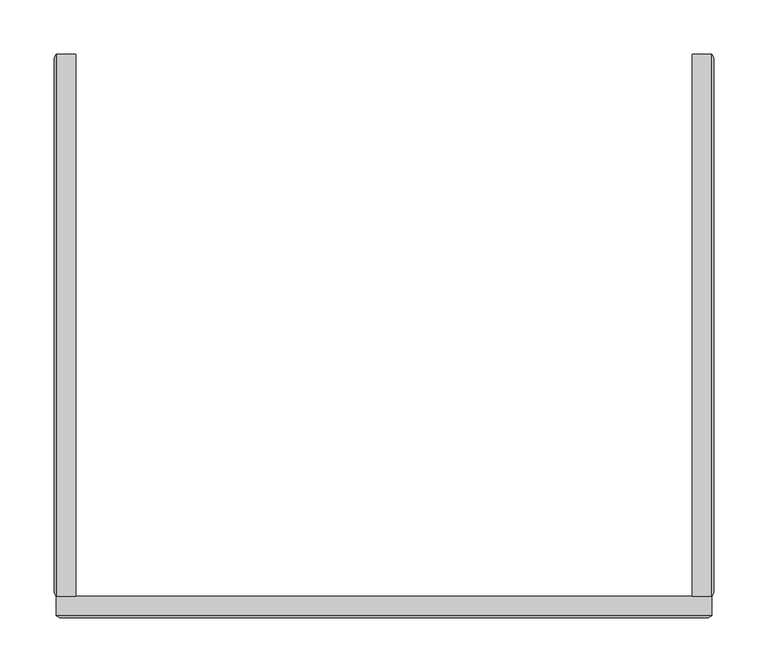
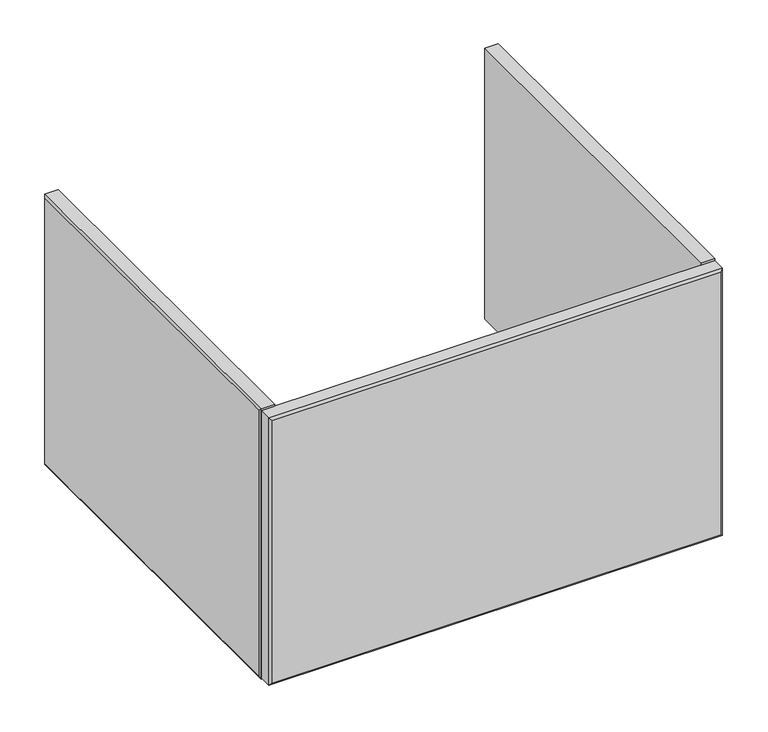
"""IFC4 building model written with IfcOpenShell, lengths in millimetres: furniture geometry."""

from ifc_helpers import new_model, si_unit, origin, place, context, project, spatial, faceted_brep, source, transform, mapped, element, save


def furniture_4e8c7435(model_context):
    return source(origin(), model_context, "Body", "Brep", [
        faceted_brep([(-282.888965, -520.6204684, 506.1148437), (-265.1648424, -520.6204684, 506.1148437), (-265.1648424, -520.6204684, 887.1148438), (-282.888965, -520.6204684, 887.1148438), (-282.888965, -21.75256, 887.1148438), (-265.1648424, -21.75256, 887.1148438), (-265.1648424, -21.75256, 506.1148437), (-282.888965, -21.75256, 506.1148437), (-284.722842, -24.9275601, 883.9340739), (-284.722842, -517.4454624, 883.9340739), (-284.722842, -24.9275601, 509.2956136), (-284.722842, -517.4454624, 509.2956136)], [[[0, 1, 2, 3]], [[4, 5, 6, 7]], [[3, 4, 8, 9]], [[9, 8, 10, 11]], [[1, 0, 7, 6]], [[2, 1, 6, 5]], [[3, 2, 5, 4]], [[7, 0, 11, 10]], [[4, 7, 10, 8]], [[0, 3, 9, 11]]]),
        faceted_brep([(302.6369231, -520.6204684, 506.1148437), (320.3643748, -520.6204684, 506.1148437), (320.3643748, -520.6204684, 887.1148438), (302.6369231, -520.6204684, 887.1148438), (302.6369231, -21.75256, 506.1148437), (302.6369231, -21.75256, 887.1148438), (320.3643748, -21.75256, 887.1148438), (320.3643748, -21.75256, 506.1148437), (322.1982518, -517.4454624, 509.2956136), (322.1982518, -24.9275601, 509.2956136), (322.1982518, -24.9275601, 883.9340739), (322.1982518, -517.4454624, 883.9340739)], [[[0, 1, 2, 3]], [[4, 5, 6, 7]], [[8, 9, 10, 11]], [[6, 2, 11, 10]], [[3, 2, 6, 5]], [[0, 3, 5, 4]], [[1, 0, 4, 7]], [[1, 7, 9, 8]], [[2, 1, 8, 11]], [[7, 6, 10, 9]]]),
        faceted_brep([(-282.888965, -538.3445864, 884.7653324), (-282.888965, -520.6204684, 884.7653324), (-282.888965, -520.6204684, 508.4643551), (-282.888965, -538.3445864, 508.4643551), (320.3643748, -538.3445864, 508.4643551), (320.3643748, -520.6204684, 508.4643551), (320.3643748, -520.6204684, 884.7653324), (320.3643748, -538.3445864, 884.7653324), (-279.7139635, -540.1705287, 881.5903445), (317.1893733, -540.1705288, 881.5903445), (317.1893733, -540.1705288, 511.639343), (-279.7139635, -540.1705287, 511.639343)], [[[0, 1, 2, 3]], [[4, 5, 6, 7]], [[7, 0, 8, 9]], [[1, 0, 7, 6]], [[2, 1, 6, 5]], [[3, 2, 5, 4]], [[3, 4, 10, 11]], [[9, 8, 11, 10]], [[4, 7, 9, 10]], [[0, 3, 11, 8]]]),
    ])


if __name__ == "__main__":
    model = new_model("IFC4")
    model_context = context("Model", 3, world=origin())
    ifc_project = project(units=[si_unit("LENGTHUNIT", "METRE", prefix="MILLI")], contexts=[model_context])
    site = spatial("IfcSite", under=ifc_project)
    building = spatial("IfcBuilding", under=site)
    placement = place(None, origin())
    furniture_shape = furniture_4e8c7435(model_context)
    element("IfcFurniture", 1, at=placement, inside=building, context=model_context, shape_type="MappedRepresentation", body=[
        mapped(furniture_shape, transform((0.0, 0.0, 0.0), x_axis=(1.0, 0.0, 0.0), y_axis=(0.0, 1.0, 0.0), z_axis=(0.0, 0.0, 1.0))),
    ])
    save(model, "model.ifc")
